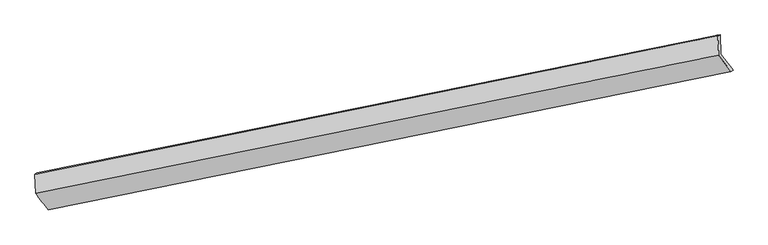
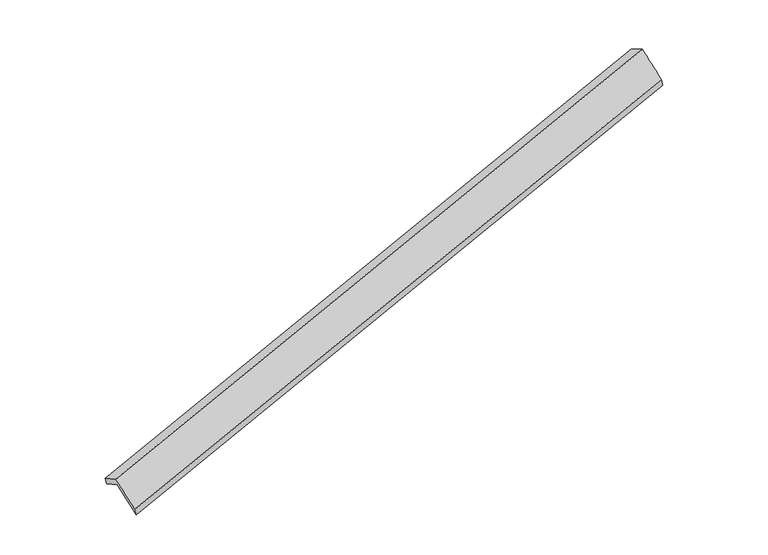
"""IFC4 building model written with IfcOpenShell, lengths in millimetres: proxy geometry."""

from ifc_helpers import new_model, si_unit, frame, origin, place, context, project, spatial, source, transform, mapped, element, save
from ifc_brep_helpers import plane_surface, spline_surface, advanced_brep


def generic_models_3e516f33(model_context):
    return source(origin(), model_context, "Body", "AdvancedBrep", [
        advanced_brep(
        [(-9692.8995799, -2890.1004677, 157.7692268), (-9710.5976786, -2500.7638988, -55.0141746), (3845.4791243, 242.4624041, 3873.4622314), (3862.7786545, -138.1061452, 4081.4536631), (-9753.9642821, -2528.6532104, 112.614473), (3802.5821474, 223.5180367, 4036.5504225), (-9736.4765124, -2913.3627974, 322.8690984), (3820.0699171, -161.1915502, 4246.8050479), (-9489.9527726, -3237.7426736, -291.1635221), (4062.0852738, -486.4901648, 3631.4663639), (-9446.2515158, -3214.643932, -456.5730565), (4104.9160621, -463.5688111, 3465.8046577)],
        [
            (0, 1),
            (1, 2),
            (2, 3),
            (3, 0),
            (1, 4),
            (4, 5),
            (5, 2),
            (4, 6),
            (6, 7),
            (7, 5),
            (6, 8),
            (8, 9),
            (9, 7),
            (8, 10),
            (10, 11),
            (11, 9),
            (10, 0),
            (3, 11),
        ],
        [
            plane_surface(frame((-9701.7486293, -2695.4321832, 51.3775261), z_axis=(0.33099609156511933, -0.4409153719401034, -0.8342872539812265), x_axis=(-0.039856846378794955, 0.8768019690440062, -0.47919697294253727))),
            spline_surface(1, 1, [[(-9710.5976786, -2500.7638988, -55.0141746), (3845.4791243, 242.4624041, 3873.4622314)], [(-9753.9642821, -2528.6532104, 112.614473), (3802.5821474, 223.5180367, 4036.5504225)]], [2, 2], [2, 2], [0.0, 1.0], [0.0, 1.0]),
            plane_surface(frame((-9745.2203972, -2721.0080039, 217.7417857), z_axis=(-0.3309961226356956, 0.4409153656170396, 0.8342872449959473), x_axis=(0.03985684637886432, -0.8768019690439824, 0.47919697294257496))),
            spline_surface(1, 1, [[(-9736.4765124, -2913.3627974, 322.8690984), (3820.0699171, -161.1915502, 4246.8050479)], [(-9489.9527726, -3237.7426736, -291.1635221), (4062.0852738, -486.4901648, 3631.4663639)]], [2, 2], [2, 2], [0.0, 1.0], [0.0, 1.0]),
            spline_surface(1, 1, [[(-9489.9527726, -3237.7426736, -291.1635221), (4062.0852738, -486.4901648, 3631.4663639)], [(-9446.2515158, -3214.643932, -456.5730565), (4104.9160621, -463.5688111, 3465.8046577)]], [2, 2], [2, 2], [0.0, 1.0], [0.0, 1.0]),
            spline_surface(1, 1, [[(-9446.2515158, -3214.643932, -456.5730565), (4104.9160621, -463.5688111, 3465.8046577)], [(-9692.8995799, -2890.1004677, 157.7692268), (3862.7786545, -138.1061452, 4081.4536631)]], [2, 2], [2, 2], [0.0, 1.0], [0.0, 1.0]),
            plane_surface(frame((3916.3185299, -130.5627051, 3889.2570644), z_axis=(0.9436903582738932, 0.1906596561069121, 0.27036531440642547), x_axis=(0.24809683530831345, 0.13277167075381083, -0.9595934783830293))),
            plane_surface(frame((-9638.3570569, -2880.87783, -34.9163258), z_axis=(-0.9415389131274113, -0.1935207324174829, -0.27577926171388223), x_axis=(0.3345383488683145, -0.4401909054096681, -0.8332562990647466))),
        ],
        [
            (0, [[1, 2, 3, 4]]),
            (1, [[5, 6, 7, -2]]),
            (2, [[8, 9, 10, -6]]),
            (3, [[11, 12, 13, -9]]),
            (4, [[14, 15, 16, -12]]),
            (5, [[17, -4, 18, -15]]),
            (6, [[-16, -18, -3, -7, -10, -13]]),
            (7, [[-17, -14, -11, -8, -5, -1]]),
        ],
    ),
    ])


if __name__ == "__main__":
    model = new_model("IFC4")
    model_context = context("Model", 3, world=origin())
    ifc_project = project(units=[si_unit("LENGTHUNIT", "METRE", prefix="MILLI")], contexts=[model_context])
    site = spatial("IfcSite", under=ifc_project)
    building = spatial("IfcBuilding", under=site)
    placement = place(None, origin())
    generic_models_shape = generic_models_3e516f33(model_context)
    element("IfcBuildingElementProxy", 1, Name="Generic Models", at=placement, inside=building, context=model_context, shape_type="MappedRepresentation", body=[
        mapped(generic_models_shape, transform((0.0, 0.0, 0.0), x_axis=(1.0, 0.0, 0.0), y_axis=(0.0, 1.0, 0.0), z_axis=(0.0, 0.0, 1.0))),
    ])
    save(model, "model.ifc")
